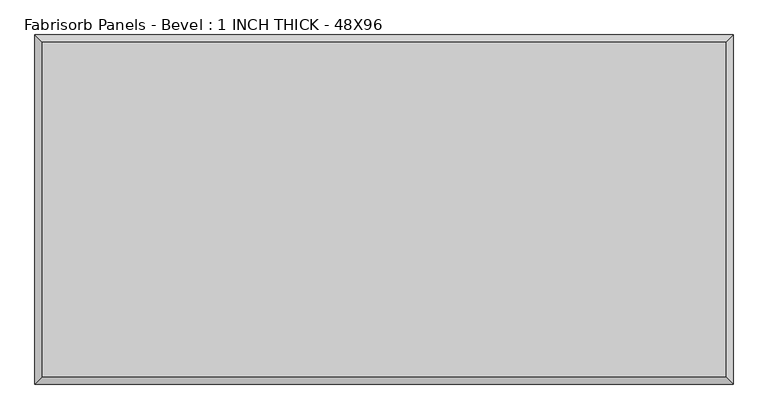
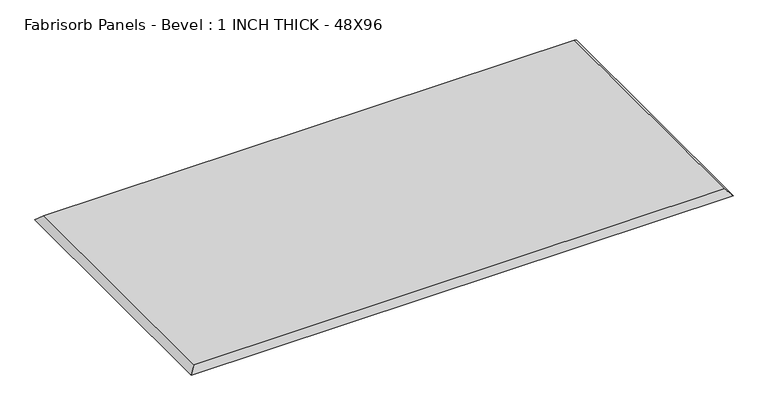
"""IFC4 building model written with IfcOpenShell, lengths in millimetres: proxy geometry, Fabrisorb Panels - Bevel : 1 INCH THICK - 48X96."""

import ifcopenshell
import ifcopenshell.guid

model = None  # the IFC model being written
_history = None  # IfcOwnerHistory: only IFC2X3 demands one
_inside = {}  # id of a spatial element -> (the spatial element, [elements in it])
_under = {}  # id of a project, library or spatial element -> (it, [spatial elements below it])
_declared = {}  # id of a project -> (the project, [libraries it declares])
_typed = {}  # id of a type object -> (the type object, [elements of that type])
_made_of = {}  # id of a material, layer set ... -> (it, [elements and type objects made of it])


def new_model(schema):
    """Start an empty IFC model of exactly this schema.

    Asked for "IFC4X3", IfcOpenShell would pick the latest addendum, in which some entities
    have other attributes; the version numbers below select the first issue.
    IFC2X3 requires an IfcOwnerHistory on every rooted entity: one is made here for all.
    """
    global model, _history
    if schema == "IFC4X3":
        model = ifcopenshell.file(schema_version=(4, 3, 0, 0))
    else:
        model = ifcopenshell.file(schema=schema)
    _inside.clear()
    _under.clear()
    _declared.clear()
    _typed.clear()
    _made_of.clear()
    _history = None
    if model.schema == "IFC2X3":
        org = make("IfcOrganization", Name="unknown")
        user = make(
            "IfcPersonAndOrganization",
            ThePerson=make("IfcPerson", FamilyName="unknown"),
            TheOrganization=org,
        )
        app = make(
            "IfcApplication",
            ApplicationDeveloper=org,
            Version="unknown",
            ApplicationFullName="unknown",
            ApplicationIdentifier="unknown",
        )
        _history = make(
            "IfcOwnerHistory",
            OwningUser=user,
            OwningApplication=app,
            ChangeAction="ADDED",
            CreationDate=0,
        )
    return model


def make(cls, **values):
    """One entity of the class cls with the attributes given. An attribute that is None is left unset."""
    return model.create_entity(
        cls, **{name: value for name, value in values.items() if value is not None}
    )


def rooted(cls, **values):
    """An entity with a GlobalId (a new one), such as an element, a storey or a relation."""
    return make(cls, GlobalId=ifcopenshell.guid.new(), OwnerHistory=_history, **values)


def si_unit(unit_type, name, prefix=None):
    """IfcSIUnit, for example si_unit("LENGTHUNIT", "METRE", prefix="MILLI")."""
    return make("IfcSIUnit", UnitType=unit_type, Prefix=prefix, Name=name)


def assignment(units):
    """IfcUnitAssignment: the units of a project."""
    return None if units is None else make("IfcUnitAssignment", Units=units)


def point(xyz):
    """IfcCartesianPoint."""
    return None if xyz is None else make("IfcCartesianPoint", Coordinates=xyz)


def direction(xyz):
    """IfcDirection."""
    return None if xyz is None else make("IfcDirection", DirectionRatios=xyz)


def frame(location, z_axis=None, x_axis=None):
    """IfcAxis2Placement3D, a coordinate frame: its origin and axes. An axis left out is left unset."""
    return make(
        "IfcAxis2Placement3D",
        Location=point(location),
        Axis=direction(z_axis),
        RefDirection=direction(x_axis),
    )


def origin():
    """The frame at (0, 0, 0) with its axes left unset."""
    return frame((0.0, 0.0, 0.0))


def place(relative_to, where):
    """IfcLocalPlacement: puts the frame where relative to a parent placement (None: the world)."""
    return make(
        "IfcLocalPlacement", PlacementRelTo=relative_to, RelativePlacement=where
    )


def context(
    kind, dimensions, precision=None, world=None, true_north=None, identifier=None
):
    """IfcGeometricRepresentationContext, for example the 3D "Model" context."""
    return make(
        "IfcGeometricRepresentationContext",
        ContextIdentifier=identifier,
        ContextType=kind,
        CoordinateSpaceDimension=dimensions,
        Precision=precision,
        WorldCoordinateSystem=world,
        TrueNorth=true_north,
    )


def project(units=None, contexts=None):
    """IfcProject with its units and contexts."""
    return rooted(
        "IfcProject",
        Name="project",
        RepresentationContexts=contexts,
        UnitsInContext=assignment(units),
    )


def spatial(cls, under=None, at=None, **own):
    """A site, building, storey or space (cls), placed at a placement, below another one or the project."""
    s = rooted(cls, ObjectPlacement=at, **own)
    if under is not None:
        _under.setdefault(under.id(), (under, []))[1].append(s)
    return s


def faces_of(points, faces, orient=None, outer=None):
    """IfcFace entities. A face is a list of loops; a loop is a list of indices into points, from 0.

    orient and outer hold one flag for each loop. By default every Orientation is true, the
    first loop of a face is its IfcFaceOuterBound and the others are IfcFaceBound.
    """
    made = []
    for i, loops in enumerate(faces):
        bounds = []
        for j, loop in enumerate(loops):
            is_outer = j == 0 if outer is None else outer[i][j]
            bounds.append(
                make(
                    "IfcFaceOuterBound" if is_outer else "IfcFaceBound",
                    Bound=make("IfcPolyLoop", Polygon=[points[k] for k in loop]),
                    Orientation=True if orient is None else orient[i][j],
                )
            )
        made.append(make("IfcFace", Bounds=bounds))
    return made


def faceted_brep(points, faces, orient=None, outer=None, voids=None):
    """IfcFacetedBrep: a solid bounded by flat faces; with voids (closed shells), ...WithVoids."""
    shared = [point(p) for p in points]
    hull = make("IfcClosedShell", CfsFaces=faces_of(shared, faces, orient, outer))
    if voids is None:
        return make("IfcFacetedBrep", Outer=hull)
    return make(
        "IfcFacetedBrepWithVoids",
        Outer=hull,
        Voids=[
            make(cls, CfsFaces=faces_of(shared, fs, o, b)) for cls, fs, o, b in voids
        ],
    )


def shape(context_of_items, identifier, shape_type, items):
    """IfcShapeRepresentation: the items that make up one representation, for example the "Body"."""
    return make(
        "IfcShapeRepresentation",
        ContextOfItems=context_of_items,
        RepresentationIdentifier=identifier,
        RepresentationType=shape_type,
        Items=items,
    )


def source(mapping_origin, context_of_items, identifier, shape_type, items):
    """IfcRepresentationMap: a shape defined once, which mapped items show again and again."""
    return make(
        "IfcRepresentationMap",
        MappingOrigin=mapping_origin,
        MappedRepresentation=shape(context_of_items, identifier, shape_type, items),
    )


def transform(
    local_origin,
    x_axis=None,
    y_axis=None,
    z_axis=None,
    scale=None,
    scale2=None,
    scale3=None,
    uniform=True,
):
    """IfcCartesianTransformationOperator3D, or its non-uniform kind. x_axis, y_axis, z_axis: its Axis1, 2, 3."""
    if uniform:
        return make(
            "IfcCartesianTransformationOperator3D",
            Axis1=direction(x_axis),
            Axis2=direction(y_axis),
            LocalOrigin=point(local_origin),
            Scale=scale,
            Axis3=direction(z_axis),
        )
    return make(
        "IfcCartesianTransformationOperator3DnonUniform",
        Axis1=direction(x_axis),
        Axis2=direction(y_axis),
        LocalOrigin=point(local_origin),
        Scale=scale,
        Axis3=direction(z_axis),
        Scale2=scale2,
        Scale3=scale3,
    )


def mapped(mapping_source, mapping_target):
    """IfcMappedItem: shows the shape of a source again, moved by a transform."""
    return make(
        "IfcMappedItem", MappingSource=mapping_source, MappingTarget=mapping_target
    )


def made_of(thing, what):
    """Note that an element or type object is made of a material, layer set ...; save() writes the relation."""
    if what is not None:
        _made_of.setdefault(what.id(), (what, []))[1].append(thing)
    return thing


def element(
    cls,
    number,
    at=None,
    inside=None,
    cuts=None,
    type_object=None,
    material=None,
    context=None,
    identifier="Body",
    shape_type=None,
    held_by="IfcProductDefinitionShape",
    body=None,
    shapes=None,
    **own,
):
    """One element of the class cls, such as IfcWall. Its Tag is "e" and its number.

    at: its placement. inside: the storey or other place that contains it. cuts: it is an
    opening in that element (IfcRelVoidsElement). A single representation is given by context,
    identifier, shape_type and body (its items); several are given by shapes. held_by: the class
    of the entity that holds the representations. save() writes the other relations.
    """
    e = rooted(cls, Tag="e%d" % number, ObjectPlacement=at, **own)
    if body is not None:
        shapes = [shape(context, identifier, shape_type, body)]
    if shapes is not None:
        e.Representation = make(held_by, Representations=shapes)
    if inside is not None:
        _inside.setdefault(inside.id(), (inside, []))[1].append(e)
    if cuts is not None:
        rooted(
            "IfcRelVoidsElement", RelatingBuildingElement=cuts, RelatedOpeningElement=e
        )
    if type_object is not None:
        _typed.setdefault(type_object.id(), (type_object, []))[1].append(e)
    return made_of(e, material)


def aggregate(whole, parts):
    """IfcRelAggregates: a whole, such as a stair, and the parts it consists of."""
    return rooted("IfcRelAggregates", RelatingObject=whole, RelatedObjects=parts)


def save(model, path):
    """Write the relations noted so far, then the file.

    IfcRelAggregates (storeys below a building ...), IfcRelContainedInSpatialStructure (elements
    in a storey), IfcRelDefinesByType, IfcRelAssociatesMaterial and IfcRelDeclares: one each for
    every whole, place, type object, material and project.
    """
    for whole, parts in _under.values():
        aggregate(whole, parts)
    for where, things in _inside.values():
        rooted(
            "IfcRelContainedInSpatialStructure",
            RelatedElements=things,
            RelatingStructure=where,
        )
    for kind, things in _typed.values():
        rooted("IfcRelDefinesByType", RelatedObjects=things, RelatingType=kind)
    for what, things in _made_of.values():
        rooted("IfcRelAssociatesMaterial", RelatedObjects=things, RelatingMaterial=what)
    for by, libraries in _declared.values():
        rooted("IfcRelDeclares", RelatingContext=by, RelatedDefinitions=libraries)
    model.write(path)


def fabrisorb_panels_bevel_1_inch_thick_48x96_106ce5ee(model_context):
    return source(origin(), model_context, "Body", "Brep", [
        faceted_brep([(1193.8, 584.2, 25.4), (-1193.8, 584.2, 25.4), (-1193.8, -584.2, 25.4), (1193.8, -584.2, 25.4), (-1219.2, 609.6, 0.0), (1219.2, 609.6, 0.0), (1219.2, -609.6, 0.0), (-1219.2, -609.6, 0.0)], [[[0, 1, 2, 3]], [[4, 5, 6, 7]], [[4, 1, 0, 5]], [[1, 4, 7, 2]], [[2, 7, 6, 3]], [[5, 0, 3, 6]]]),
    ])


if __name__ == "__main__":
    model = new_model("IFC4")
    model_context = context("Model", 3, world=origin())
    ifc_project = project(units=[si_unit("LENGTHUNIT", "METRE", prefix="MILLI")], contexts=[model_context])
    site = spatial("IfcSite", under=ifc_project)
    building = spatial("IfcBuilding", under=site)
    placement = place(None, origin())
    fabrisorb_panels_bevel_1_inch_thick_48x96_shape = fabrisorb_panels_bevel_1_inch_thick_48x96_106ce5ee(model_context)
    element("IfcBuildingElementProxy", 1, Name="Fabrisorb Panels - Bevel : 1 INCH THICK - 48X96", ObjectType="Fabrisorb Panels - Bevel : 1 INCH THICK - 48X96", at=placement, inside=building, context=model_context, shape_type="MappedRepresentation", body=[
        mapped(fabrisorb_panels_bevel_1_inch_thick_48x96_shape, transform((0.0, 0.0, 0.0), x_axis=(1.0, 0.0, 0.0), y_axis=(0.0, 1.0, 0.0), z_axis=(0.0, 0.0, 1.0))),
    ])
    save(model, "model.ifc")
